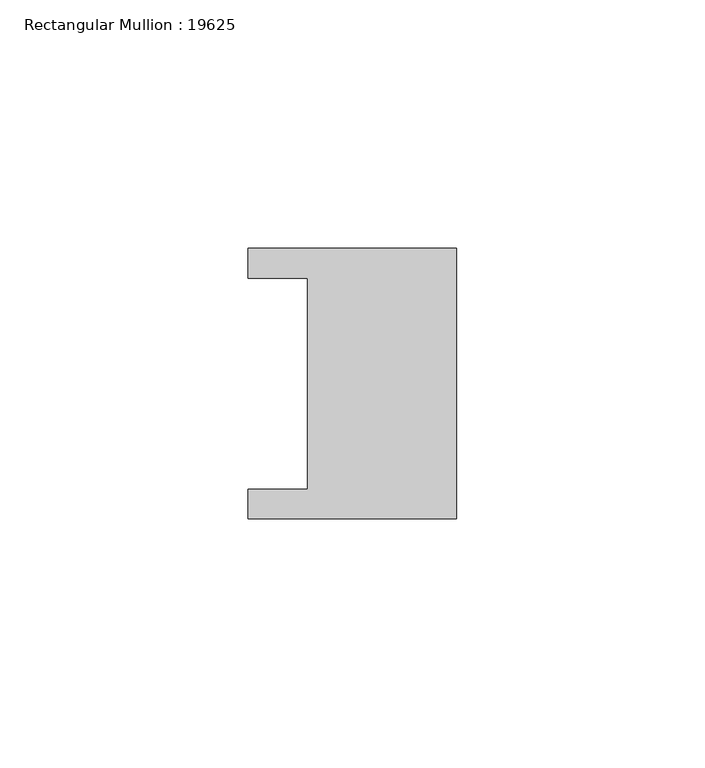
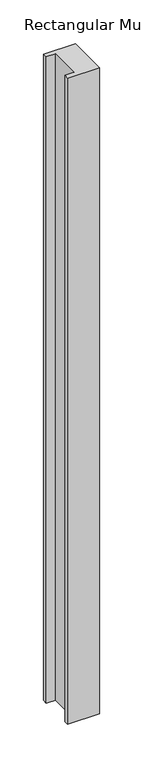
"""IFC4 building model written with IfcOpenShell, lengths in millimetres: member geometry, Rectangular Mullion : 19625."""

from ifc_helpers import new_model, si_unit, frame, origin, place, context, project, spatial, polyline, outline, extrude, source, transform, mapped, element, save


def rectangular_mullion_19625_135aac6a(model_context):
    return source(origin(), model_context, "Body", "SweptSolid", [
        extrude(outline(polyline([(0.0, 27.25), (0.0, -27.25), (-42.0, -27.25), (-42.0, -21.25), (-30.0, -21.25), (-30.0, 21.25), (-42.0, 21.25), (-42.0, 27.25), (0.0, 27.25)])), frame((0.0, 0.0, -900.0), z_axis=(0.0, 0.0, 1.0), x_axis=(1.0, 0.0, 0.0)), (0.0, 0.0, 1.0), 900.0),
    ])


if __name__ == "__main__":
    model = new_model("IFC4")
    model_context = context("Model", 3, world=origin())
    ifc_project = project(units=[si_unit("LENGTHUNIT", "METRE", prefix="MILLI")], contexts=[model_context])
    site = spatial("IfcSite", under=ifc_project)
    building = spatial("IfcBuilding", under=site)
    placement = place(None, origin())
    rectangular_mullion_19625_shape = rectangular_mullion_19625_135aac6a(model_context)
    element("IfcMember", 1, ObjectType="Rectangular Mullion : 19625", at=placement, inside=building, context=model_context, shape_type="MappedRepresentation", body=[
        mapped(rectangular_mullion_19625_shape, transform((0.0, 0.0, 0.0), x_axis=(1.0, 0.0, 0.0), y_axis=(0.0, 1.0, 0.0), z_axis=(0.0, 0.0, 1.0))),
    ])
    save(model, "model.ifc")
